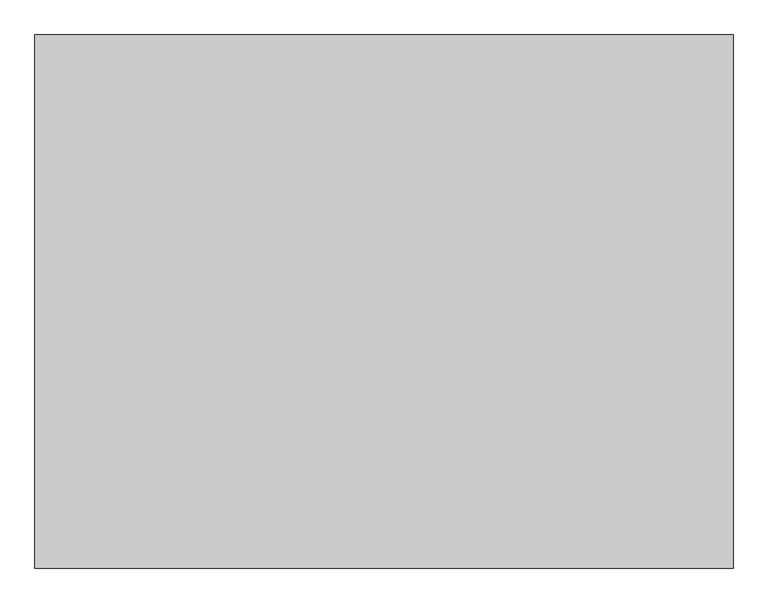
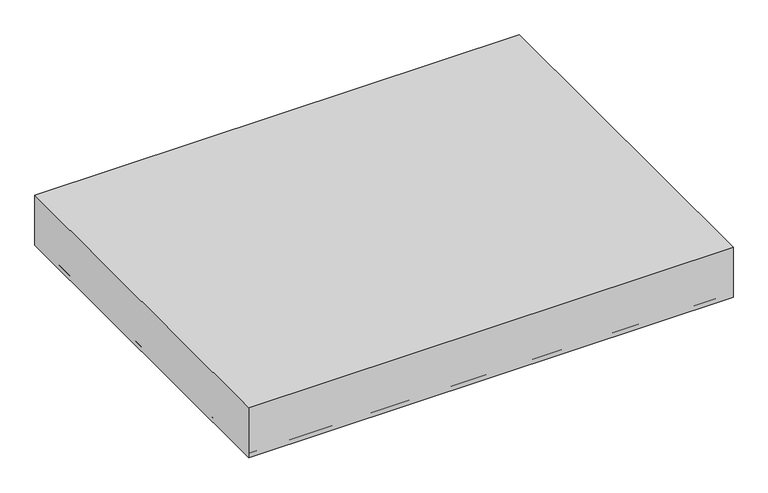
"""IFC4 building model written with IfcOpenShell, lengths in millimetres: proxy geometry."""

from ifc_helpers import new_model, si_unit, point, frame, frame_2d, origin, origin_with_axes, place, context, project, spatial, polyline, circle_curve, trimmed, segment, composite_curve, outline, extrude, source, transform, mapped, element, save


def specialty_equipment_5219377b(model_context):
    return source(origin(), model_context, "Body", "SweptSolid", [
        extrude(outline(polyline([(698.5, 533.4), (698.5, -533.4), (-698.5, -533.4), (-698.5, 533.4), (698.5, 533.4)])), origin_with_axes(), (0.0, 0.0, 1.0), 152.4),
        extrude(outline(composite_curve([segment(trimmed(circle_curve(frame_2d((660.4, -482.6)), 12.7), [point((673.1, -482.6))], [point((660.4, -495.3))], False, "CARTESIAN"), True, "CONTINUOUS"), segment(polyline([(660.4, -495.3), (-660.4, -495.3)]), True, "CONTINUOUS"), segment(trimmed(circle_curve(frame_2d((-660.4, -482.6)), 12.7), [point((-660.4, -495.3))], [point((-673.1, -482.6))], False, "CARTESIAN"), True, "CONTINUOUS"), segment(polyline([(-673.1, -482.6), (-673.1, 482.6)]), True, "CONTINUOUS"), segment(trimmed(circle_curve(frame_2d((-660.4, 482.6)), 12.7), [point((-673.1, 482.6))], [point((-660.4, 495.3))], False, "CARTESIAN"), True, "CONTINUOUS"), segment(polyline([(-660.4, 495.3), (660.4, 495.3)]), True, "CONTINUOUS"), segment(trimmed(circle_curve(frame_2d((660.4, 482.6)), 12.7), [point((660.4, 495.3))], [point((673.1, 482.6))], False, "CARTESIAN"), True, "CONTINUOUS"), segment(polyline([(673.1, 482.6), (673.1, -482.6)]), True, "CONTINUOUS")], self_intersect=False)), origin_with_axes(), (0.0, 0.0, 1.0), 6.6972656),
        extrude(outline(polyline([(-514.35, 51.4978879), (-514.35, 13.3978879), (-533.4, 13.3978879), (-533.4, 38.7978879), (-527.05, 38.7978879), (-527.05, 45.1478879), (-520.7, 45.1478879), (-520.7, 51.4978879), (-514.35, 51.4978879)])), frame((-673.1, 0.0, 0.0), z_axis=(1.0, 0.0, 0.0), x_axis=(0.0, 1.0, 0.0)), (0.0, 0.0, 1.0), 1346.2),
        extrude(outline(polyline([(698.5, 533.4), (698.5, -533.4), (-698.5, -533.4), (-698.5, 533.4), (698.5, 533.4)]), holes=[composite_curve([segment(polyline([(660.4, 495.3), (-660.4, 495.3)]), True, "CONTINUOUS"), segment(trimmed(circle_curve(frame_2d((-660.4, 482.6)), 12.7), [point((-660.4, 495.3))], [point((-673.1, 482.6))], True, "CARTESIAN"), True, "CONTINUOUS"), segment(polyline([(-673.1, 482.6), (-673.1, -482.6)]), True, "CONTINUOUS"), segment(trimmed(circle_curve(frame_2d((-660.4, -482.6)), 12.7), [point((-673.1, -482.6))], [point((-660.4, -495.3))], True, "CARTESIAN"), True, "CONTINUOUS"), segment(polyline([(-660.4, -495.3), (660.4, -495.3)]), True, "CONTINUOUS"), segment(trimmed(circle_curve(frame_2d((660.4, -482.6)), 12.7), [point((660.4, -495.3))], [point((673.1, -482.6))], True, "CARTESIAN"), True, "CONTINUOUS"), segment(polyline([(673.1, -482.6), (673.1, 482.6)]), True, "CONTINUOUS"), segment(trimmed(circle_curve(frame_2d((660.4, 482.6)), 12.7), [point((673.1, 482.6))], [point((660.4, 495.3))], True, "CARTESIAN"), True, "CONTINUOUS")], self_intersect=False)]), origin_with_axes(), (0.0, 0.0, 1.0), 13.3978879),
    ])


if __name__ == "__main__":
    model = new_model("IFC4")
    model_context = context("Model", 3, world=origin())
    ifc_project = project(units=[si_unit("LENGTHUNIT", "METRE", prefix="MILLI")], contexts=[model_context])
    site = spatial("IfcSite", under=ifc_project)
    building = spatial("IfcBuilding", under=site)
    placement = place(None, origin())
    specialty_equipment_shape = specialty_equipment_5219377b(model_context)
    element("IfcBuildingElementProxy", 1, Name="Specialty Equipment", at=placement, inside=building, context=model_context, shape_type="MappedRepresentation", body=[
        mapped(specialty_equipment_shape, transform((0.0, 0.0, 0.0), x_axis=(1.0, 0.0, 0.0), y_axis=(0.0, 1.0, 0.0), z_axis=(0.0, 0.0, 1.0))),
    ])
    save(model, "model.ifc")
